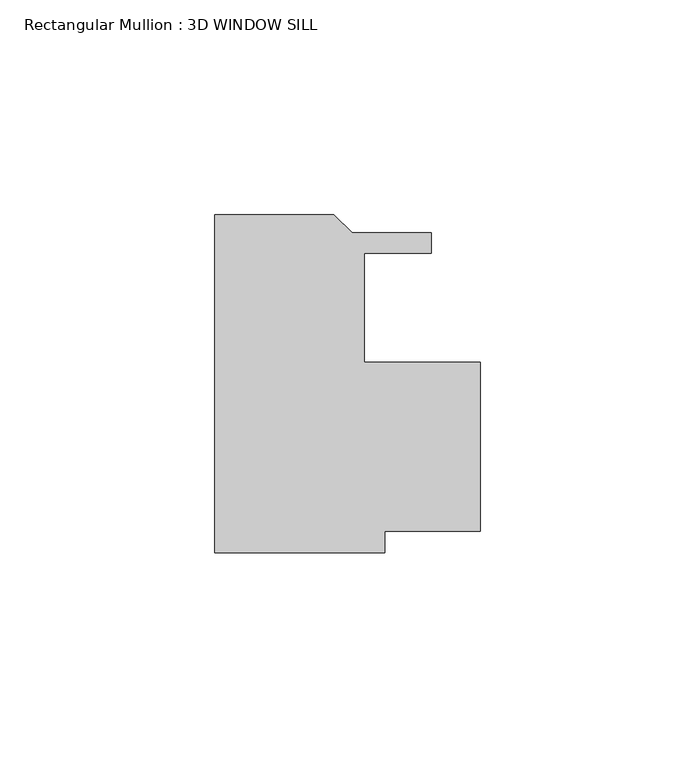
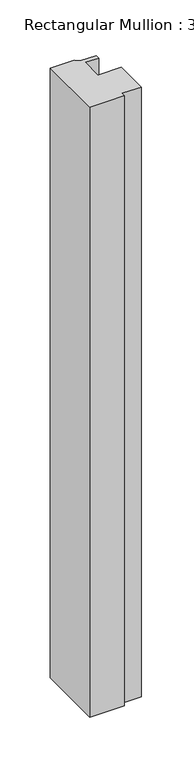
"""IFC4 building model written with IfcOpenShell, lengths in millimetres: member geometry, Rectangular Mullion : 3D WINDOW SILL."""

from ifc_helpers import new_model, si_unit, frame, origin, place, context, project, spatial, polyline, outline, extrude, source, transform, mapped, element, save


def rectangular_mullion_3d_window_sill_49d0c344(model_context):
    return source(origin(), model_context, "Body", "SweptSolid", [
        extrude(outline(polyline([(0.0, -56.6383835), (0.0, 22.1777958), (27.782386, 22.1777958), (32.049586, 17.9105958), (50.4320938, 17.9105958), (50.4320938, 13.2115956), (34.925, 13.2115956), (34.925, -12.1884042), (61.9184441, -12.1884042), (61.9184441, -51.5584042), (39.6934442, -51.5584042), (39.6934442, -56.6383835), (0.0, -56.6383835)])), frame((0.0, 0.0, -741.6625586), z_axis=(0.0, 0.0, 1.0), x_axis=(1.0, 0.0, 0.0)), (0.0, 0.0, 1.0), 741.6625586),
    ])


if __name__ == "__main__":
    model = new_model("IFC4")
    model_context = context("Model", 3, world=origin())
    ifc_project = project(units=[si_unit("LENGTHUNIT", "METRE", prefix="MILLI")], contexts=[model_context])
    site = spatial("IfcSite", under=ifc_project)
    building = spatial("IfcBuilding", under=site)
    placement = place(None, origin())
    rectangular_mullion_3d_window_sill_shape = rectangular_mullion_3d_window_sill_49d0c344(model_context)
    element("IfcMember", 1, ObjectType="Rectangular Mullion : 3D WINDOW SILL", at=placement, inside=building, context=model_context, shape_type="MappedRepresentation", body=[
        mapped(rectangular_mullion_3d_window_sill_shape, transform((0.0, 0.0, 0.0), x_axis=(1.0, 0.0, 0.0), y_axis=(0.0, 1.0, 0.0), z_axis=(0.0, 0.0, 1.0))),
    ])
    save(model, "model.ifc")
